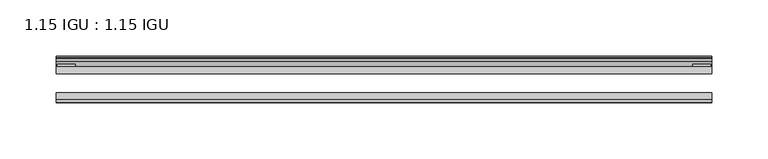
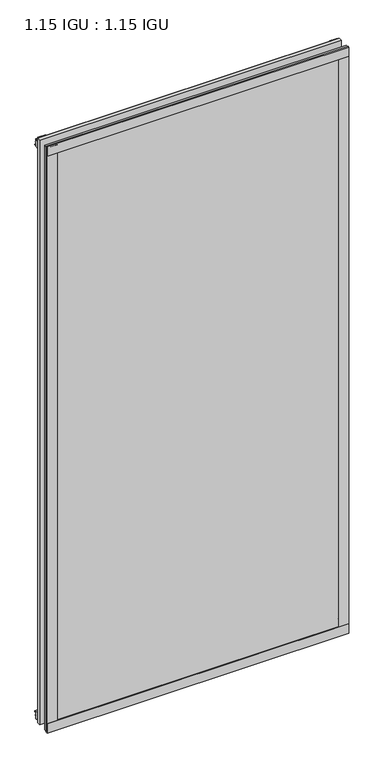
"""IFC4 building model written with IfcOpenShell, lengths in millimetres: plate geometry, 1.15 IGU : 1.15 IGU."""

from ifc_helpers import new_model, si_unit, point, frame, frame_2d, origin, place, context, project, spatial, polyline, circle_curve, trimmed, segment, composite_curve, outline, extrude, source, transform, mapped, element, save


def plate_1_15_igu_1_15_igu_c7e835d5(model_context):
    return source(origin(), model_context, "Body", "SweptSolid", [
        extrude(outline(polyline([(292.1, 0.0), (292.1, -6.2992), (-292.1, -6.2992), (-292.1, 0.0), (292.1, 0.0)])), frame((0.0, 0.0, -17.4498), z_axis=(0.0, 0.0, 1.0), x_axis=(1.0, 0.0, 0.0)), (0.0, 0.0, 1.0), 1196.9496),
        extrude(outline(polyline([(-292.1, -23.1648), (292.1, -23.1648), (292.1, -29.464), (-292.1, -29.464), (-292.1, -23.1648)])), frame((0.0, 0.0, -17.4498), z_axis=(0.0, 0.0, 1.0), x_axis=(1.0, 0.0, 0.0)), (0.0, 0.0, 1.0), 1196.9496),
        extrude(outline(polyline([(-292.1, -31.75), (-292.1, -29.464), (292.1, -29.464), (292.1, -31.75), (-292.1, -31.75)])), frame((0.0, 0.0, -19.05), z_axis=(0.0, 0.0, 1.0), x_axis=(1.0, 0.0, 0.0)), (0.0, 0.0, 1.0), 19.05),
        extrude(outline(composite_curve([segment(trimmed(circle_curve(frame_2d((13.6593785, 32.4202472)), 31.3046461), [point((0.0, 4.2528503))], [point((9.3980339, 1.406995))], True, "CARTESIAN"), True, "CONTINUOUS"), segment(polyline([(9.3980339, 1.406995), (9.3980339, 0.0254), (6.35, 0.0254), (6.35, -5.1625788), (7.7309478, -5.3970663), (6.35, -8.0073788), (6.35, -11.8471127)]), True, "CONTINUOUS"), segment(trimmed(circle_curve(frame_2d((5.334, -11.8471127)), 1.016), [point((6.35, -11.8471127))], [point((4.6284878, -12.5782136))], False, "CARTESIAN"), True, "CONTINUOUS"), segment(trimmed(circle_curve(frame_2d((-23.3689302, -41.5910901)), 40.3187601), [point((4.6284878, -12.5782136))], [point((0.0, -8.735413))], True, "CARTESIAN"), True, "CONTINUOUS"), segment(polyline([(0.0, -8.735413), (0.0, 4.2528503)]), True, "CONTINUOUS")], self_intersect=False)), frame((-292.1, 0.0, 0.0), z_axis=(1.0, 0.0, 0.0), x_axis=(0.0, 1.0, 0.0)), (0.0, 0.0, 1.0), 584.2),
        extrude(outline(composite_curve([segment(trimmed(circle_curve(frame_2d((-23.3689302, 1203.6664901)), 40.3187601), [point((0.0, 1170.810813))], [point((4.9746073, 1174.9916528))], True, "CARTESIAN"), True, "CONTINUOUS"), segment(trimmed(circle_curve(frame_2d((5.8674, 1174.0884245)), 1.27), [point((4.9746073, 1174.9916528))], [point((7.1374, 1174.0884245))], False, "CARTESIAN"), True, "CONTINUOUS"), segment(polyline([(7.1374, 1174.0884245), (7.1374, 1169.6876168), (7.7309478, 1167.4724663), (6.35, 1167.2379788), (6.35, 1162.05), (9.3980339, 1162.05), (9.3980339, 1160.668405)]), True, "CONTINUOUS"), segment(trimmed(circle_curve(frame_2d((13.6593785, 1129.6551528)), 31.3046461), [point((9.3980339, 1160.668405))], [point((0.0, 1157.8225497))], True, "CARTESIAN"), True, "CONTINUOUS"), segment(polyline([(0.0, 1157.8225497), (0.0, 1170.810813)]), True, "CONTINUOUS")], self_intersect=False)), frame((-292.1, 0.0, 0.0), z_axis=(1.0, 0.0, 0.0), x_axis=(0.0, 1.0, 0.0)), (0.0, 0.0, 1.0), 584.2),
        extrude(outline(polyline([(-292.1, -31.75), (-292.1, -29.464), (292.1, -29.464), (292.1, -31.75), (-292.1, -31.75)])), frame((0.0, 0.0, 1162.05), z_axis=(0.0, 0.0, 1.0), x_axis=(1.0, 0.0, 0.0)), (0.0, 0.0, 1.0), 19.05),
        extrude(outline(polyline([(273.05, -29.464), (292.1, -29.464), (292.1, -31.75), (273.05, -31.75), (273.05, -29.464)])), frame((0.0, 0.0, -17.4498), z_axis=(0.0, 0.0, 1.0), x_axis=(1.0, 0.0, 0.0)), (0.0, 0.0, 1.0), 1196.9496),
        extrude(outline(polyline([(290.8935, 2.2860088), (290.8935, 0.0021347), (275.0185, 0.0021347), (275.0185, 2.2860088), (290.8935, 2.2860088)])), frame((0.0, 0.0, -17.4498), z_axis=(0.0, 0.0, 1.0), x_axis=(1.0, 0.0, 0.0)), (0.0, 0.0, 1.0), 1196.9496),
        extrude(outline(polyline([(-292.1, -31.75), (-292.1, -29.464), (-273.05, -29.464), (-273.05, -31.75), (-292.1, -31.75)])), frame((0.0, 0.0, -17.4498), z_axis=(0.0, 0.0, 1.0), x_axis=(1.0, 0.0, 0.0)), (0.0, 0.0, 1.0), 1196.9496),
        extrude(outline(polyline([(-290.8935, 0.0), (-290.8935, 2.286), (-275.0185, 2.286), (-275.0185, 0.0), (-290.8935, 0.0)])), frame((0.0, 0.0, -17.4498), z_axis=(0.0, 0.0, 1.0), x_axis=(1.0, 0.0, 0.0)), (0.0, 0.0, 1.0), 1196.9496),
    ])


if __name__ == "__main__":
    model = new_model("IFC4")
    model_context = context("Model", 3, world=origin())
    ifc_project = project(units=[si_unit("LENGTHUNIT", "METRE", prefix="MILLI")], contexts=[model_context])
    site = spatial("IfcSite", under=ifc_project)
    building = spatial("IfcBuilding", under=site)
    placement = place(None, origin())
    plate_1_15_igu_1_15_igu_shape = plate_1_15_igu_1_15_igu_c7e835d5(model_context)
    element("IfcPlate", 1, ObjectType="1.15 IGU : 1.15 IGU", at=placement, inside=building, context=model_context, shape_type="MappedRepresentation", body=[
        mapped(plate_1_15_igu_1_15_igu_shape, transform((0.0, 0.0, 0.0), x_axis=(1.0, 0.0, 0.0), y_axis=(0.0, 1.0, 0.0), z_axis=(0.0, 0.0, 1.0))),
    ])
    save(model, "model.ifc")
